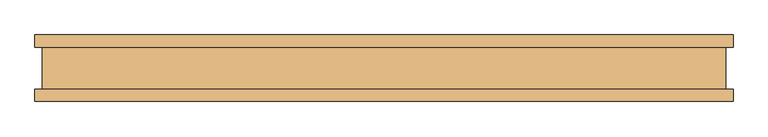
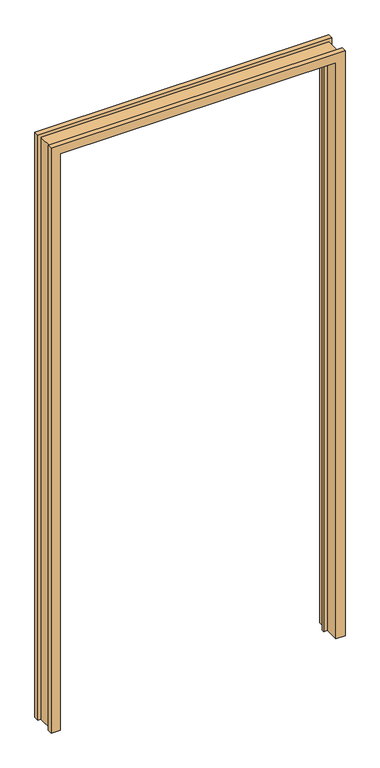
"""IFC4 building model written with IfcOpenShell, lengths in millimetres: door geometry."""

from ifc_helpers import new_model, si_unit, origin, place, context, project, spatial, faceted_brep, source, transform, mapped, element, save


def door_8264e8a7(model_context):
    return source(origin(), model_context, "Body", "Brep", [
        faceted_brep([(-525.3482, -31.447233, 0.0), (-514.35, -31.447233, 0.0), (-514.35, 31.468567, 0.0), (-525.3482, 31.468567, 0.0), (-525.3482, 50.010667, 0.0), (-492.3282, 50.010667, 0.0), (-492.3282, 10.907167, 0.0), (-479.3742, 10.907167, 0.0), (-479.3742, 2.6789063, 0.0), (-492.3282, 2.6789063, 0.0), (-492.3282, -49.989233, 0.0), (-525.3482, -49.989233, 0.0), (-525.3482, -49.989233, 2209.7925997), (-525.3482, -31.447233, 2209.7925997), (-492.3282, -49.989233, 2176.7725997), (492.3282, -49.989233, 2176.7725997), (492.3282, -49.989233, 0.0), (525.3482, -49.989233, 0.0), (525.3482, -49.989233, 2209.7925997), (-492.3282, 2.6789063, 2176.7725997), (-479.3742, 2.6789063, 2163.8185997), (479.3742, 2.6789063, 2163.8185997), (479.3742, 2.6789063, 0.0), (492.3282, 2.6789063, 0.0), (492.3282, 2.6789063, 2176.7725997), (-479.3742, 10.907167, 2163.8185997), (-492.3282, 10.907167, 2176.7725997), (492.3282, 10.907167, 2176.7725997), (492.3282, 10.907167, 0.0), (479.3742, 10.907167, 0.0), (479.3742, 10.907167, 2163.8185997), (-492.3282, 50.010667, 2176.7725997), (-525.3482, 50.010667, 2209.7925997), (525.3482, 50.010667, 2209.7925997), (525.3482, 50.010667, 0.0), (492.3282, 50.010667, 0.0), (492.3282, 50.010667, 2176.7725997), (-525.3482, 31.468567, 2209.7925997), (-514.35, 31.468567, 2198.7943997), (514.35, 31.468567, 2198.7943997), (514.35, 31.468567, 0.0), (525.3482, 31.468567, 0.0), (525.3482, 31.468567, 2209.7925997), (-514.35, -31.447233, 2198.7943997), (525.3482, -31.447233, 2209.7925997), (525.3482, -31.447233, 0.0), (514.35, -31.447233, 0.0), (514.35, -31.447233, 2198.7943997)], [[[0, 1, 2, 3, 4, 5, 6, 7, 8, 9, 10, 11]], [[11, 12, 13, 0]], [[10, 14, 15, 16, 17, 18, 12, 11]], [[9, 19, 14, 10]], [[8, 20, 21, 22, 23, 24, 19, 9]], [[7, 25, 20, 8]], [[6, 26, 27, 28, 29, 30, 25, 7]], [[5, 31, 26, 6]], [[4, 32, 33, 34, 35, 36, 31, 5]], [[3, 37, 32, 4]], [[2, 38, 39, 40, 41, 42, 37, 3]], [[1, 43, 38, 2]], [[0, 13, 44, 45, 46, 47, 43, 1]], [[36, 35, 28, 27]], [[45, 17, 16, 23, 22, 29, 28, 35, 34, 41, 40, 46]], [[47, 46, 40, 39]], [[30, 29, 22, 21]], [[24, 23, 16, 15]], [[18, 17, 45, 44]], [[42, 41, 34, 33]], [[31, 36, 27, 26]], [[43, 47, 39, 38]], [[25, 30, 21, 20]], [[19, 24, 15, 14]], [[12, 18, 44, 13]], [[37, 42, 33, 32]]]),
    ])


if __name__ == "__main__":
    model = new_model("IFC4")
    model_context = context("Model", 3, world=origin())
    ifc_project = project(units=[si_unit("LENGTHUNIT", "METRE", prefix="MILLI")], contexts=[model_context])
    site = spatial("IfcSite", under=ifc_project)
    building = spatial("IfcBuilding", under=site)
    placement = place(None, origin())
    door_shape = door_8264e8a7(model_context)
    element("IfcDoor", 1, at=placement, inside=building, context=model_context, shape_type="MappedRepresentation", body=[
        mapped(door_shape, transform((0.0, 0.0, 0.0), x_axis=(1.0, 0.0, 0.0), y_axis=(0.0, 1.0, 0.0), z_axis=(0.0, 0.0, 1.0))),
    ])
    save(model, "model.ifc")
